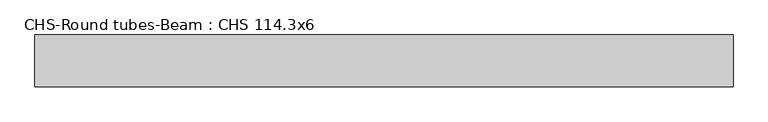
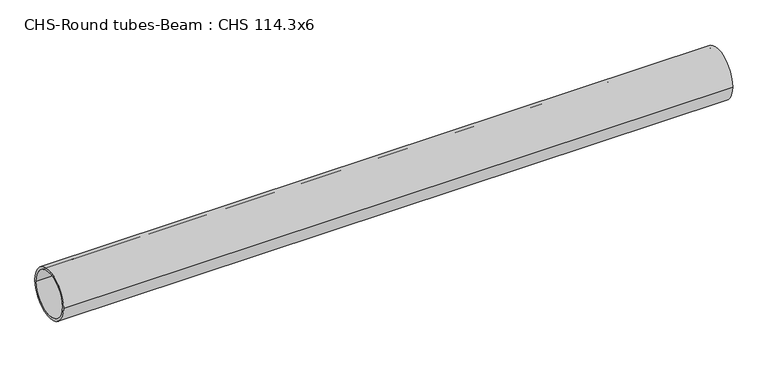
"""IFC4 building model written with IfcOpenShell, lengths in millimetres: beam geometry, CHS-Round tubes-Beam : CHS 114.3x6."""

from ifc_helpers import new_model, si_unit, point, frame, origin, origin_2d, place, context, project, spatial, circle_curve, trimmed, segment, composite_curve, outline, extrude, source, transform, mapped, element, save


def chs_round_tubes_beam_chs_114_3x6_c2bd754d(model_context):
    return source(origin(), model_context, "Body", "SweptSolid", [
        extrude(outline(composite_curve([segment(trimmed(circle_curve(origin_2d(), 57.15), [point((57.15, 0.0))], [point((-57.15, 0.0))], False, "CARTESIAN"), True, "CONTINUOUS"), segment(trimmed(circle_curve(origin_2d(), 57.15), [point((-57.15, 0.0))], [point((57.15, 0.0))], False, "CARTESIAN"), True, "CONTINUOUS")], self_intersect=False), holes=[composite_curve([segment(trimmed(circle_curve(origin_2d(), 51.15), [point((51.15, 0.0))], [point((-51.15, 0.0))], True, "CARTESIAN"), True, "CONTINUOUS"), segment(trimmed(circle_curve(origin_2d(), 51.15), [point((-51.15, 0.0))], [point((51.15, 0.0))], True, "CARTESIAN"), True, "CONTINUOUS")], self_intersect=False)]), frame((-746.5047048, 0.0, 0.0), z_axis=(1.0, 0.0, 0.0), x_axis=(0.0, 1.0, 0.0)), (0.0, 0.0, 1.0), 1535.0844925),
    ])


if __name__ == "__main__":
    model = new_model("IFC4")
    model_context = context("Model", 3, world=origin())
    ifc_project = project(units=[si_unit("LENGTHUNIT", "METRE", prefix="MILLI")], contexts=[model_context])
    site = spatial("IfcSite", under=ifc_project)
    building = spatial("IfcBuilding", under=site)
    placement = place(None, origin())
    chs_round_tubes_beam_chs_114_3x6_shape = chs_round_tubes_beam_chs_114_3x6_c2bd754d(model_context)
    element("IfcBeam", 1, ObjectType="CHS-Round tubes-Beam : CHS 114.3x6", at=placement, inside=building, context=model_context, shape_type="MappedRepresentation", body=[
        mapped(chs_round_tubes_beam_chs_114_3x6_shape, transform((0.0, 0.0, 0.0), x_axis=(1.0, 0.0, 0.0), y_axis=(0.0, 1.0, 0.0), z_axis=(0.0, 0.0, 1.0))),
    ])
    save(model, "model.ifc")
